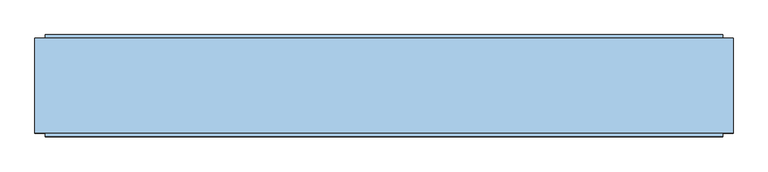
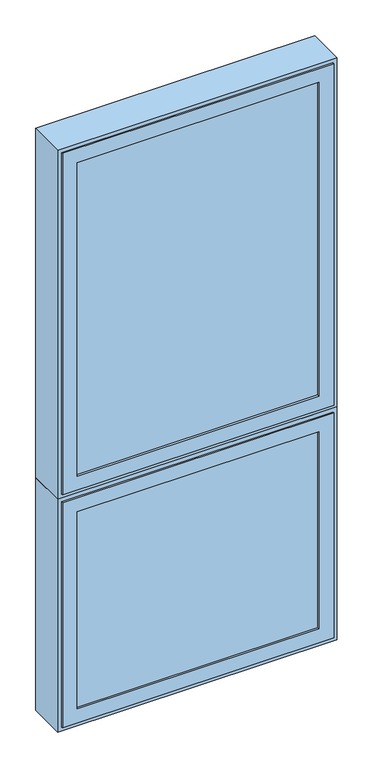
"""IFC4 building model written with IfcOpenShell, lengths in millimetres: window geometry."""

from ifc_helpers import new_model, si_unit, frame, origin, place, context, project, spatial, polyline, outline, extrude, faceted_brep, source, transform, mapped, element, save


def window_79d4180e(model_context):
    return source(origin(), model_context, "Body", "SolidModel", [
        extrude(outline(polyline([(-460.25, -43.3), (-460.25, -39.3), (460.25, -39.3), (460.25, -43.3), (-460.25, -43.3)])), frame((0.0, 0.0, 51.0), z_axis=(0.0, 0.0, 1.0), x_axis=(1.0, 0.0, 0.0)), (0.0, 0.0, 1.0), 798.0),
        extrude(outline(polyline([(-460.25, -21.3), (-460.25, -17.3), (457.25, -17.3), (457.25, -21.3), (-460.25, -21.3)])), frame((0.0, 0.0, 51.0), z_axis=(0.0, 0.0, 1.0), x_axis=(1.0, 0.0, 0.0)), (0.0, 0.0, 1.0), 798.0),
        extrude(outline(polyline([(-460.25, 0.7), (-460.25, 4.7), (457.25, 4.7), (457.25, 0.7), (-460.25, 0.7)])), frame((0.0, 0.0, 51.0), z_axis=(0.0, 0.0, 1.0), x_axis=(1.0, 0.0, 0.0)), (0.0, 0.0, 1.0), 798.0),
        extrude(outline(polyline([(0.0, -511.25), (0.0, 511.25), (900.0, 511.25), (900.0, -511.25), (0.0, -511.25)]), holes=[polyline([(885.0, -496.25), (885.0, 496.25), (15.0, 496.25), (15.0, -496.25), (885.0, -496.25)])]), frame((0.0, -46.6, 0.0), z_axis=(0.0, 1.0, 0.0), x_axis=(0.0, 0.0, 1.0)), (0.0, 0.0, 1.0), 139.3),
        faceted_brep([(-445.25, 4.7, 66.0), (-445.25, 28.2, 66.0), (-445.25, 28.2, 834.0), (-445.25, 4.7, 834.0), (-496.25, 97.7, 15.0), (-496.25, -43.3, 15.0), (-496.25, -43.3, 885.0), (-496.25, 97.7, 885.0), (-449.25, 28.2, 62.0), (-449.25, 97.7, 62.0), (-449.25, 97.7, 838.0), (-449.25, 28.2, 838.0), (445.25, 28.2, 834.0), (445.25, 4.7, 834.0), (496.25, -43.3, 885.0), (496.25, 97.7, 885.0), (449.25, 97.7, 838.0), (449.25, 28.2, 838.0), (445.25, 28.2, 66.0), (445.25, 4.7, 66.0), (496.25, -43.3, 15.0), (496.25, 97.7, 15.0), (449.25, 97.7, 62.0), (449.25, 28.2, 62.0), (-460.25, 4.7, 51.0), (460.25, 4.7, 51.0), (460.25, 4.7, 849.0), (-460.25, 4.7, 849.0), (-460.25, -43.3, 51.0), (-460.25, -43.3, 849.0), (460.25, -43.3, 849.0), (460.25, -43.3, 51.0)], [[[0, 1, 2, 3]], [[4, 5, 6, 7]], [[8, 9, 10, 11]], [[3, 2, 12, 13]], [[7, 6, 14, 15]], [[11, 10, 16, 17]], [[13, 12, 18, 19]], [[15, 14, 20, 21]], [[17, 16, 22, 23]], [[11, 17, 23, 8], [1, 18, 12, 2]], [[19, 18, 1, 0]], [[24, 25, 26, 27], [3, 13, 19, 0]], [[21, 20, 5, 4]], [[7, 15, 21, 4], [9, 22, 16, 10]], [[23, 22, 9, 8]], [[28, 24, 27, 29]], [[29, 27, 26, 30]], [[30, 26, 25, 31]], [[31, 25, 24, 28]], [[5, 20, 14, 6], [29, 30, 31, 28]]]),
        extrude(outline(polyline([(15.0, -496.25), (15.0, 496.25), (885.0, 496.25), (885.0, -496.25), (15.0, -496.25)]), holes=[polyline([(831.0, -442.25), (831.0, 442.25), (69.0, 442.25), (69.0, -442.25), (831.0, -442.25)])]), frame((0.0, -51.6, 0.0), z_axis=(0.0, 1.0, 0.0), x_axis=(0.0, 0.0, 1.0)), (0.0, 0.0, 1.0), 8.3),
        extrude(outline(polyline([(-460.25, -43.3), (-460.25, -39.3), (460.25, -39.3), (460.25, -43.3), (-460.25, -43.3)])), frame((0.0, 0.0, 951.0), z_axis=(0.0, 0.0, 1.0), x_axis=(1.0, 0.0, 0.0)), (0.0, 0.0, 1.0), 1248.0),
        extrude(outline(polyline([(-460.25, -21.3), (-460.25, -17.3), (457.25, -17.3), (457.25, -21.3), (-460.25, -21.3)])), frame((0.0, 0.0, 951.0), z_axis=(0.0, 0.0, 1.0), x_axis=(1.0, 0.0, 0.0)), (0.0, 0.0, 1.0), 1248.0),
        extrude(outline(polyline([(-460.25, 0.7), (-460.25, 4.7), (457.25, 4.7), (457.25, 0.7), (-460.25, 0.7)])), frame((0.0, 0.0, 951.0), z_axis=(0.0, 0.0, 1.0), x_axis=(1.0, 0.0, 0.0)), (0.0, 0.0, 1.0), 1248.0),
        extrude(outline(polyline([(900.0, -511.25), (900.0, 511.25), (2250.0, 511.25), (2250.0, -511.25), (900.0, -511.25)]), holes=[polyline([(2235.0, -496.25), (2235.0, 496.25), (915.0, 496.25), (915.0, -496.25), (2235.0, -496.25)])]), frame((0.0, -46.6, 0.0), z_axis=(0.0, 1.0, 0.0), x_axis=(0.0, 0.0, 1.0)), (0.0, 0.0, 1.0), 139.3),
        faceted_brep([(-445.25, 4.7, 966.0), (-445.25, 28.2, 966.0), (-445.25, 28.2, 2184.0), (-445.25, 4.7, 2184.0), (-496.25, 97.7, 915.0), (-496.25, -43.3, 915.0), (-496.25, -43.3, 2235.0), (-496.25, 97.7, 2235.0), (-449.25, 28.2, 962.0), (-449.25, 97.7, 962.0), (-449.25, 97.7, 2188.0), (-449.25, 28.2, 2188.0), (445.25, 28.2, 2184.0), (445.25, 4.7, 2184.0), (496.25, -43.3, 2235.0), (496.25, 97.7, 2235.0), (449.25, 97.7, 2188.0), (449.25, 28.2, 2188.0), (445.25, 28.2, 966.0), (445.25, 4.7, 966.0), (496.25, -43.3, 915.0), (496.25, 97.7, 915.0), (449.25, 97.7, 962.0), (449.25, 28.2, 962.0), (-460.25, 4.7, 951.0), (460.25, 4.7, 951.0), (460.25, 4.7, 2199.0), (-460.25, 4.7, 2199.0), (-460.25, -43.3, 951.0), (-460.25, -43.3, 2199.0), (460.25, -43.3, 2199.0), (460.25, -43.3, 951.0)], [[[0, 1, 2, 3]], [[4, 5, 6, 7]], [[8, 9, 10, 11]], [[3, 2, 12, 13]], [[7, 6, 14, 15]], [[11, 10, 16, 17]], [[13, 12, 18, 19]], [[15, 14, 20, 21]], [[17, 16, 22, 23]], [[11, 17, 23, 8], [1, 18, 12, 2]], [[19, 18, 1, 0]], [[24, 25, 26, 27], [3, 13, 19, 0]], [[21, 20, 5, 4]], [[7, 15, 21, 4], [9, 22, 16, 10]], [[23, 22, 9, 8]], [[28, 24, 27, 29]], [[29, 27, 26, 30]], [[30, 26, 25, 31]], [[31, 25, 24, 28]], [[5, 20, 14, 6], [29, 30, 31, 28]]]),
        extrude(outline(polyline([(915.0, -496.25), (915.0, 496.25), (2235.0, 496.25), (2235.0, -496.25), (915.0, -496.25)]), holes=[polyline([(2181.0, -442.25), (2181.0, 442.25), (969.0, 442.25), (969.0, -442.25), (2181.0, -442.25)])]), frame((0.0, -51.6, 0.0), z_axis=(0.0, 1.0, 0.0), x_axis=(0.0, 0.0, 1.0)), (0.0, 0.0, 1.0), 8.3),
    ])


if __name__ == "__main__":
    model = new_model("IFC4")
    model_context = context("Model", 3, world=origin())
    ifc_project = project(units=[si_unit("LENGTHUNIT", "METRE", prefix="MILLI")], contexts=[model_context])
    site = spatial("IfcSite", under=ifc_project)
    building = spatial("IfcBuilding", under=site)
    placement = place(None, origin())
    window_shape = window_79d4180e(model_context)
    element("IfcWindow", 1, at=placement, inside=building, context=model_context, shape_type="MappedRepresentation", body=[
        mapped(window_shape, transform((0.0, 0.0, 0.0), x_axis=(1.0, 0.0, 0.0), y_axis=(0.0, 1.0, 0.0), z_axis=(0.0, 0.0, 1.0))),
    ])
    save(model, "model.ifc")
